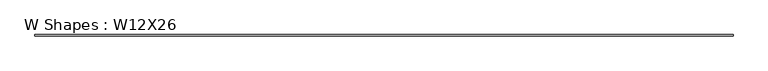
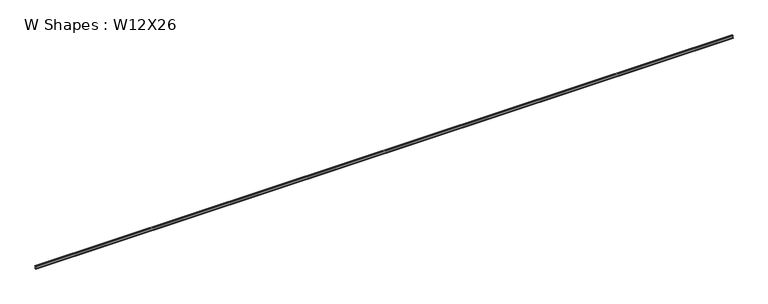
"""IFC4 building model written with IfcOpenShell, lengths in millimetres: beam geometry, W Shapes : W12X26."""

from ifc_helpers import new_model, si_unit, point, frame, frame_2d, origin, place, context, project, spatial, polyline, circle_curve, trimmed, segment, composite_curve, outline, extrude, source, transform, mapped, element, save


def w_shapes_w12x26_d6ac2c25(model_context):
    return source(origin(), model_context, "Body", "SweptSolid", [
        extrude(outline(composite_curve([segment(polyline([(82.423, -145.288), (82.423, -154.94), (-82.423, -154.94), (-82.423, -145.288), (-10.541, -145.288)]), True, "CONTINUOUS"), segment(trimmed(circle_curve(frame_2d((-10.541, -137.668)), 7.62), [point((-10.541, -145.288))], [point((-2.921, -137.668))], True, "CARTESIAN"), True, "CONTINUOUS"), segment(polyline([(-2.921, -137.668), (-2.921, 137.668)]), True, "CONTINUOUS"), segment(trimmed(circle_curve(frame_2d((-10.541, 137.668)), 7.62), [point((-2.921, 137.668))], [point((-10.541, 145.288))], True, "CARTESIAN"), True, "CONTINUOUS"), segment(polyline([(-10.541, 145.288), (-82.423, 145.288), (-82.423, 154.94), (82.423, 154.94), (82.423, 145.288), (10.541, 145.288)]), True, "CONTINUOUS"), segment(trimmed(circle_curve(frame_2d((10.541, 137.668)), 7.62), [point((10.541, 145.288))], [point((2.921, 137.668))], True, "CARTESIAN"), True, "CONTINUOUS"), segment(polyline([(2.921, 137.668), (2.921, -137.668)]), True, "CONTINUOUS"), segment(trimmed(circle_curve(frame_2d((10.541, -137.668)), 7.62), [point((2.921, -137.668))], [point((10.541, -145.288))], True, "CARTESIAN"), True, "CONTINUOUS"), segment(polyline([(10.541, -145.288), (82.423, -145.288)]), True, "CONTINUOUS")], self_intersect=False)), frame((-42708.4862414, 0.0, 0.0), z_axis=(1.0, 0.0, 0.0), x_axis=(0.0, 1.0, 0.0)), (0.0, 0.0, 1.0), 85416.9724828),
    ])


if __name__ == "__main__":
    model = new_model("IFC4")
    model_context = context("Model", 3, world=origin())
    ifc_project = project(units=[si_unit("LENGTHUNIT", "METRE", prefix="MILLI")], contexts=[model_context])
    site = spatial("IfcSite", under=ifc_project)
    building = spatial("IfcBuilding", under=site)
    placement = place(None, origin())
    w_shapes_w12x26_shape = w_shapes_w12x26_d6ac2c25(model_context)
    element("IfcBeam", 1, ObjectType="W Shapes : W12X26", at=placement, inside=building, context=model_context, shape_type="MappedRepresentation", body=[
        mapped(w_shapes_w12x26_shape, transform((0.0, 0.0, 0.0), x_axis=(1.0, 0.0, 0.0), y_axis=(0.0, 1.0, 0.0), z_axis=(0.0, 0.0, 1.0))),
    ])
    save(model, "model.ifc")
